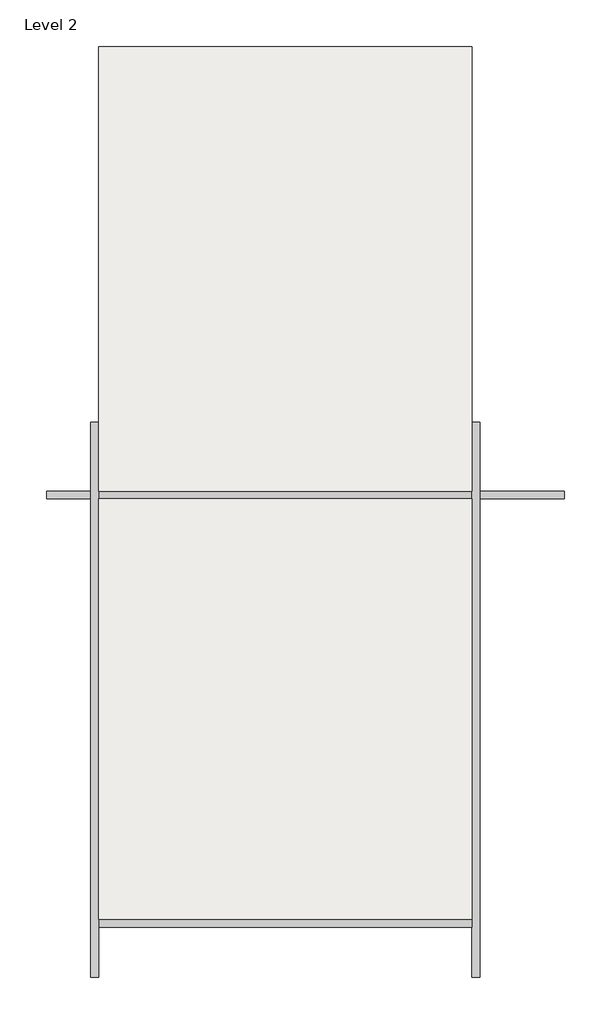
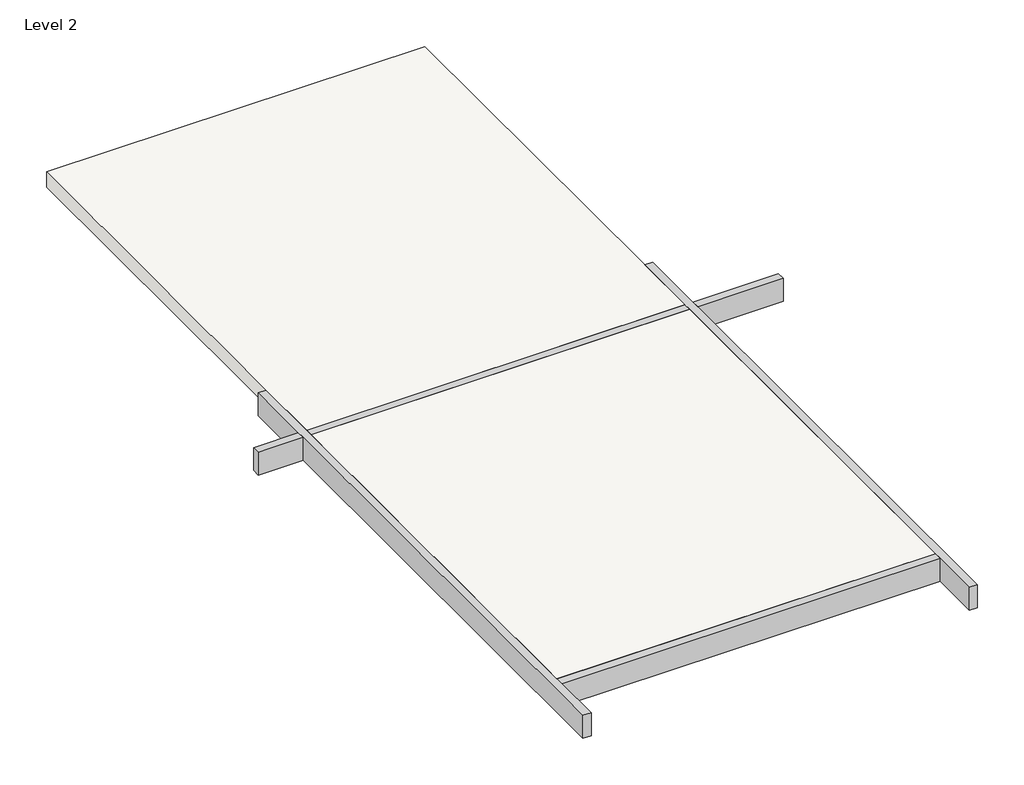
# One storey: 6 beams, 2 slabs.
"""IFC4 building model written with IfcOpenShell, lengths in millimetres."""

from ifc_helpers import new_model, si_unit, frame, origin, place, context, project, spatial, polyline, outline, extrude, faceted_brep, element, save

model = new_model("IFC4")

# Units and contexts
model_context = context("Model", 3, world=origin())
ifc_project = project(units=[si_unit("LENGTHUNIT", "METRE", prefix="MILLI")], contexts=[model_context])

# Site, building, storey
site = spatial("IfcSite", under=ifc_project)
building = spatial("IfcBuilding", under=site)
storey = spatial("IfcBuildingStorey", under=building, Name="Level 2", Elevation=3900.0)

# Beams
placement = place(None, origin())
element("IfcBeam", 1, ObjectType="Concrete-Rectangular Beam : 450_X_150", at=placement, inside=storey, context=model_context, shape_type="Brep", body=[
    faceted_brep([(23495.551054, -8144.2011616, 3900.0), (23345.551054, -8144.2011616, 3900.0), (23345.551054, -8144.2011616, 3450.0), (23495.551054, -8144.2011616, 3450.0), (23495.551054, 2355.7988384, 3900.0), (23495.551054, 2355.7988384, 3450.0), (23345.551054, 2355.7988384, 3450.0), (23345.551054, 2355.7988384, 3900.0), (23495.551054, -7193.2195532, 3900.0), (23495.551054, -7043.2195532, 3900.0), (23495.551054, 906.7804468, 3900.0), (23495.551054, 1056.7804468, 3900.0), (23345.551054, 1056.7804468, 3900.0), (23345.551054, 906.7804468, 3900.0), (23345.551054, 1056.7804468, 3450.0), (23345.551054, 906.7804468, 3450.0), (23495.551054, 1056.7804468, 3450.0), (23495.551054, 906.7804468, 3450.0), (23495.551054, -7043.2195532, 3450.0), (23495.551054, -7193.2195532, 3450.0)], [[[0, 1, 2, 3]], [[4, 5, 6, 7]], [[1, 0, 8, 9, 10, 11, 4, 7, 12, 13]], [[2, 1, 13, 12, 7, 6, 14, 15]], [[3, 2, 15, 14, 6, 5, 16, 17, 18, 19]], [[0, 3, 19, 18, 17, 16, 5, 4, 11, 10, 9, 8]]]),
])
element("IfcBeam", 2, ObjectType="Concrete-Rectangular Beam : 450_X_150", at=placement, inside=storey, context=model_context, shape_type="Brep", body=[
    faceted_brep([(30711.5085008, -8144.2011616, 3900.0), (30561.5085008, -8144.2011616, 3900.0), (30561.5085008, -8144.2011616, 3450.0), (30711.5085008, -8144.2011616, 3450.0), (30711.5085008, 2355.7988384, 3900.0), (30711.5085008, 2355.7988384, 3450.0), (30561.5085008, 2355.7988384, 3450.0), (30561.5085008, 2355.7988384, 3900.0), (30711.5085008, 906.7804468, 3900.0), (30711.5085008, 1056.7804468, 3900.0), (30561.5085008, 1056.7804468, 3900.0), (30561.5085008, 906.7804468, 3900.0), (30561.5085008, -7043.2195532, 3900.0), (30561.5085008, -7193.2195532, 3900.0), (30561.5085008, 1056.7804468, 3450.0), (30561.5085008, 906.7804468, 3450.0), (30561.5085008, -7043.2195532, 3450.0), (30561.5085008, -7193.2195532, 3450.0), (30711.5085008, 1056.7804468, 3450.0), (30711.5085008, 906.7804468, 3450.0)], [[[0, 1, 2, 3]], [[4, 5, 6, 7]], [[1, 0, 8, 9, 4, 7, 10, 11, 12, 13]], [[2, 1, 13, 12, 11, 10, 7, 6, 14, 15, 16, 17]], [[3, 2, 17, 16, 15, 14, 6, 5, 18, 19]], [[0, 3, 19, 18, 5, 4, 9, 8]]]),
])
element("IfcBeam", 3, ObjectType="Concrete-Rectangular Beam : 450_X_150", at=placement, inside=storey, context=model_context, shape_type="SweptSolid", body=[
    extrude(outline(polyline([(32307.2196394, 1056.7804468), (32307.2196394, 906.7804468), (30711.5085008, 906.7804468), (30711.5085008, 1056.7804468), (32307.2196394, 1056.7804468)])), frame((0.0, 0.0, 3450.0), z_axis=(0.0, 0.0, 1.0), x_axis=(1.0, 0.0, 0.0)), (0.0, 0.0, 1.0), 450.0),
])
element("IfcBeam", 4, ObjectType="Concrete-Rectangular Beam : 450_X_150", at=placement, inside=storey, context=model_context, shape_type="SweptSolid", body=[
    extrude(outline(polyline([(22507.2196394, 906.7804468), (22507.2196394, 1056.7804468), (23345.551054, 1056.7804468), (23345.551054, 906.7804468), (22507.2196394, 906.7804468)])), frame((0.0, 0.0, 3450.0), z_axis=(0.0, 0.0, 1.0), x_axis=(1.0, 0.0, 0.0)), (0.0, 0.0, 1.0), 450.0),
])
element("IfcBeam", 5, ObjectType="Concrete-Rectangular Beam : 450_X_150", at=placement, inside=storey, context=model_context, shape_type="Brep", body=[
    faceted_brep([(30561.5085008, 906.7804468, 3900.0), (30561.5085008, 1056.7804468, 3900.0), (23495.551054, 1056.7804468, 3900.0), (23495.551054, 906.7804468, 3900.0), (30561.5085008, 1056.7804468, 3600.0), (30561.5085008, 1056.7804468, 3450.0), (23495.551054, 1056.7804468, 3450.0), (23495.551054, 1056.7804468, 3600.0), (30561.5085008, 906.7804468, 3450.0), (23495.551054, 906.7804468, 3450.0)], [[[0, 1, 2, 3]], [[1, 4, 5, 6, 7, 2]], [[5, 8, 9, 6]], [[8, 0, 3, 9]], [[5, 4, 1, 0, 8]], [[3, 2, 7, 6, 9]]]),
])
element("IfcBeam", 6, ObjectType="Concrete-Rectangular Beam : 450_X_150", at=placement, inside=storey, context=model_context, shape_type="SweptSolid", body=[
    extrude(outline(polyline([(23495.551054, -7193.2195532), (23495.551054, -7043.2195532), (30561.5085008, -7043.2195532), (30561.5085008, -7193.2195532), (23495.551054, -7193.2195532)])), frame((0.0, 0.0, 3450.0), z_axis=(0.0, 0.0, 1.0), x_axis=(1.0, 0.0, 0.0)), (0.0, 0.0, 1.0), 450.0),
])

# Slabs
element("IfcSlab", 7, ObjectType="Floor 1", at=placement, inside=storey, context=model_context, shape_type="Brep", body=[
    faceted_brep([(30561.5085008, 9464.5460826, 3600.0), (30561.5085008, 1056.7804468, 3600.0), (23495.551054, 1056.7804468, 3600.0), (23495.551054, 9464.5460826, 3600.0), (30561.5085008, 9464.5460826, 3900.0), (23495.551054, 9464.5460826, 3900.0), (23495.551054, 2355.7988384, 3900.0), (23495.551054, 1056.7804468, 3900.0), (30561.5085008, 1056.7804468, 3900.0), (30561.5085008, 2355.7988384, 3900.0)], [[[0, 1, 2, 3]], [[4, 5, 6, 7, 8, 9]], [[1, 0, 4, 9, 8]], [[2, 1, 8, 7]], [[3, 2, 7, 6, 5]], [[0, 3, 5, 4]]]),
])
element("IfcSlab", 8, ObjectType="Floor 1", at=placement, inside=storey, context=model_context, shape_type="SweptSolid", body=[
    extrude(outline(polyline([(30561.5085008, 906.7804468), (30561.5085008, -7043.2195532), (23495.551054, -7043.2195532), (23495.551054, 906.7804468), (30561.5085008, 906.7804468)])), frame((0.0, 0.0, 3600.0), z_axis=(0.0, 0.0, 1.0), x_axis=(1.0, 0.0, 0.0)), (0.0, 0.0, 1.0), 300.0),
])

save(model, "model.ifc")
